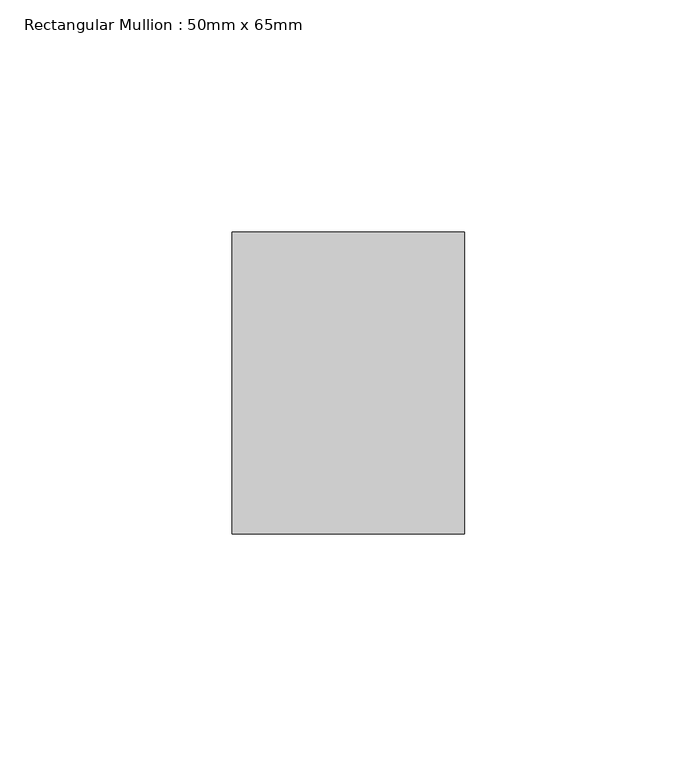
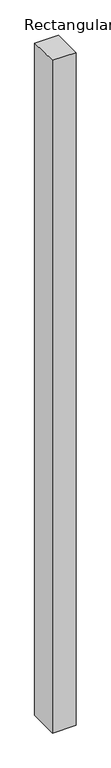
"""IFC4 building model written with IfcOpenShell, lengths in millimetres: member geometry, Rectangular Mullion : 50mm x 65mm."""

from ifc_helpers import new_model, si_unit, origin, place, context, project, spatial, faceted_brep, source, transform, mapped, element, save


def rectangular_mullion_50mm_x_65mm_4c657a35(model_context):
    return source(origin(), model_context, "Body", "Brep", [
        faceted_brep([(-25.0, 32.5, -0.3057238), (25.0, 32.5, -0.305723), (25.0, 32.5, -1499.7969286), (-25.0, 32.5, -1499.7969281), (-25.0, -32.5, 0.305723), (-25.0, -32.5, -1500.2024029), (25.0, -32.5, 0.3057238), (25.0, -32.5, -1500.2024035)], [[[0, 1, 2, 3]], [[4, 0, 3, 5]], [[6, 4, 5, 7]], [[1, 6, 7, 2]], [[1, 0, 4, 6]], [[2, 7, 5, 3]]]),
    ])


if __name__ == "__main__":
    model = new_model("IFC4")
    model_context = context("Model", 3, world=origin())
    ifc_project = project(units=[si_unit("LENGTHUNIT", "METRE", prefix="MILLI")], contexts=[model_context])
    site = spatial("IfcSite", under=ifc_project)
    building = spatial("IfcBuilding", under=site)
    placement = place(None, origin())
    rectangular_mullion_50mm_x_65mm_shape = rectangular_mullion_50mm_x_65mm_4c657a35(model_context)
    element("IfcMember", 1, ObjectType="Rectangular Mullion : 50mm x 65mm", at=placement, inside=building, context=model_context, shape_type="MappedRepresentation", body=[
        mapped(rectangular_mullion_50mm_x_65mm_shape, transform((0.0, 0.0, 0.0), x_axis=(1.0, 0.0, 0.0), y_axis=(0.0, 1.0, 0.0), z_axis=(0.0, 0.0, 1.0))),
    ])
    save(model, "model.ifc")
